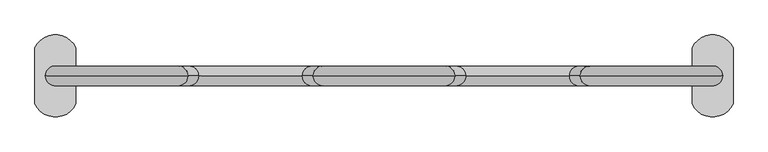
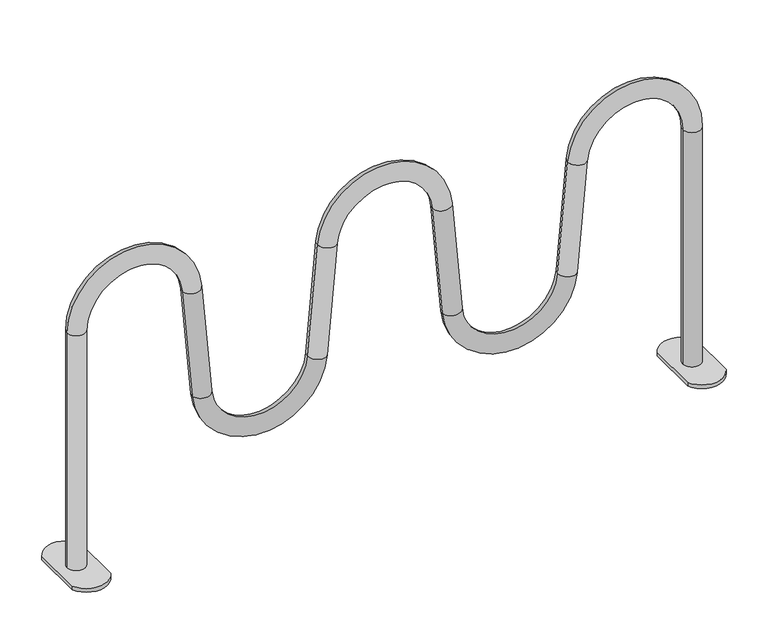
"""IFC4 building model written with IfcOpenShell, lengths in millimetres: furniture geometry."""

from ifc_helpers import new_model, si_unit, point, frame, frame_2d, origin, origin_with_axes, place, context, project, spatial, polyline, circle_curve, ellipse_curve, trimmed, segment, composite_curve, outline, extrude, source, transform, mapped, element, save
from ifc_brep_helpers import plane_surface, cylinder_surface, revolved_surface, advanced_brep


def furniture_2003bcf2(model_context):
    return source(origin(), model_context, "Body", "SolidModel", [
        extrude(outline(composite_curve([segment(trimmed(circle_curve(frame_2d((799.9973498, -44.9375383)), 55.0625), [point((849.9973498, -68.0000383))], [point((749.9973498, -68.0000383))], False, "CARTESIAN"), True, "CONTINUOUS"), segment(polyline([(749.9973498, -68.0000383), (749.9973498, 67.9999617)]), True, "CONTINUOUS"), segment(trimmed(circle_curve(frame_2d((799.9973498, 44.9374617)), 55.0625), [point((749.9973498, 67.9999617))], [point((849.9973498, 67.9999617))], False, "CARTESIAN"), True, "CONTINUOUS"), segment(polyline([(849.9973498, 67.9999617), (849.9973498, -68.0000383)]), True, "CONTINUOUS")], self_intersect=False)), origin_with_axes(), (0.0, 0.0, 1.0), 10.0),
        extrude(outline(composite_curve([segment(polyline([(-849.9973498, -68.0000383), (-849.9973498, 67.9999617)]), True, "CONTINUOUS"), segment(trimmed(circle_curve(frame_2d((-799.9973498, 44.9374617)), 55.0625), [point((-849.9973498, 67.9999617))], [point((-749.9973498, 67.9999617))], False, "CARTESIAN"), True, "CONTINUOUS"), segment(polyline([(-749.9973498, 67.9999617), (-749.9973498, -68.0000383)]), True, "CONTINUOUS"), segment(trimmed(circle_curve(frame_2d((-799.9973498, -44.9375383)), 55.0625), [point((-749.9973498, -68.0000383))], [point((-849.9973498, -68.0000383))], False, "CARTESIAN"), True, "CONTINUOUS")], self_intersect=False)), origin_with_axes(), (0.0, 0.0, 1.0), 10.0),
        advanced_brep(
        [(-824.3288789, 0.0, 10.0), (-776.3288789, 0.0, 10.0), (-824.3288789, 0.0, 655.5150113), (-776.3288789, 0.0, 655.5150113), (-524.7766149, 0.0, 666.4980203), (-476.9592694, 0.0, 670.681496), (-450.9462025, 0.0, 373.3507809), (-498.763548, 0.0, 369.1673052), (-151.5533739, 0.0, 369.1673052), (-199.3707194, 0.0, 373.3507809), (-173.3676201, 0.0, 670.5675661), (-125.5502746, 0.0, 666.3840905), (824.3288789, 0.0, 10.0), (776.3288789, 0.0, 10.0), (125.5502746, 0.0, 666.3840905), (173.3676201, 0.0, 670.5675661), (199.3707194, 0.0, 373.3507809), (151.5533739, 0.0, 369.1673052), (498.763548, 0.0, 369.1673052), (450.9462025, 0.0, 373.3507809), (476.9592694, 0.0, 670.681496), (524.7766149, 0.0, 666.4980203), (776.3288789, 0.0, 655.5150113), (824.3288789, 0.0, 655.5150113)],
        [
            (0, 1, circle_curve(frame((-800.3288789, 0.0, 10.0), z_axis=(0.0, 0.0, -1.0), x_axis=(1.0, 0.0, 0.0)), 24.0)),
            (1, 0, circle_curve(frame((-800.3288789, 0.0, 10.0), z_axis=(0.0, 0.0, -1.0), x_axis=(1.0, 0.0, 0.0)), 24.0)),
            (0, 2),
            (2, 3, circle_curve(frame((-800.3288789, 0.0, 655.5150113), z_axis=(0.0, 0.0, -1.0), x_axis=(1.0, 0.0, 0.0)), 24.0)),
            (3, 1),
            (3, 2, circle_curve(frame((-800.3288789, 0.0, 655.5150113), z_axis=(0.0, 0.0, -1.0), x_axis=(1.0, 0.0, 0.0)), 24.0)),
            (4, 3, circle_curve(frame((-650.3129826, 0.0, 655.5150113), z_axis=(0.0, -1.0, 0.0), x_axis=(-1.0, 0.0, 0.0)), 126.0158963)),
            (2, 5, circle_curve(frame((-650.3129826, 0.0, 655.5150113), z_axis=(0.0, 1.0, 0.0), x_axis=(-1.0, 0.0, 0.0)), 174.0158963)),
            (5, 4, circle_curve(frame((-500.8679421, 0.0, 668.5897581), z_axis=(-0.08715574274766275, 0.0, 0.9961946980917452), x_axis=(-0.9961946980917452, 0.0, -0.08715574274766275)), 24.0)),
            (4, 5, circle_curve(frame((-500.8679421, 0.0, 668.5897581), z_axis=(-0.08715574274766275, 0.0, 0.9961946980917452), x_axis=(-0.9961946980917452, 0.0, -0.08715574274766275)), 24.0)),
            (5, 6),
            (6, 7, circle_curve(frame((-474.8548753, 0.0, 371.2590431), z_axis=(-0.0871557427476564, 0.0, 0.9961946980917457), x_axis=(-0.9961946980917457, 0.0, -0.0871557427476564)), 24.0)),
            (7, 4),
            (7, 6, circle_curve(frame((-474.8548753, 0.0, 371.2590431), z_axis=(-0.0871557427476564, 0.0, 0.9961946980917457), x_axis=(-0.9961946980917457, 0.0, -0.0871557427476564)), 24.0)),
            (8, 7, circle_curve(frame((-325.1584609, 0.0, 384.3557823), z_axis=(0.0, 1.0, 0.0), x_axis=(-0.9961946980917463, 0.0, -0.0871557427476491)), 174.2682303)),
            (6, 9, circle_curve(frame((-325.1584609, 0.0, 384.3557823), z_axis=(0.0, -1.0, 0.0), x_axis=(-0.9961946980917463, 0.0, -0.0871557427476491)), 126.2682303)),
            (9, 8, circle_curve(frame((-175.4620466, 0.0, 371.2590431), z_axis=(-0.08715574274765349, 0.0, -0.996194698091746), x_axis=(0.996194698091746, 0.0, -0.08715574274765349)), 24.0)),
            (8, 9, circle_curve(frame((-175.4620466, 0.0, 371.2590431), z_axis=(-0.08715574274765661, 0.0, -0.9961946980917457), x_axis=(0.9961946980917457, 0.0, -0.08715574274765661)), 24.0)),
            (9, 10),
            (10, 11, circle_curve(frame((-149.4589473, 0.0, 668.4758283), z_axis=(-0.08715574274765646, 0.0, -0.9961946980917457), x_axis=(0.9961946980917457, 0.0, -0.08715574274765646)), 24.0)),
            (11, 8),
            (11, 10, circle_curve(frame((-149.4589473, 0.0, 668.4758283), z_axis=(-0.08715574274765646, 0.0, -0.9961946980917457), x_axis=(0.9961946980917457, 0.0, -0.08715574274765646)), 24.0)),
            (12, 13, circle_curve(frame((800.3288789, 0.0, 10.0), z_axis=(0.0, 0.0, -1.0), x_axis=(-1.0, 0.0, 0.0)), 24.0)),
            (13, 12, circle_curve(frame((800.3288789, 0.0, 10.0), z_axis=(0.0, 0.0, -1.0), x_axis=(-1.0, 0.0, 0.0)), 24.0)),
            (14, 11, circle_curve(frame((0.0, 0.0, 655.3998647), z_axis=(0.0, -1.0, 0.0), x_axis=(-0.9961946980917462, 0.0, 0.08715574274764999)), 126.0298562)),
            (10, 15, circle_curve(frame((0.0, 0.0, 655.3998647), z_axis=(0.0, 1.0, 0.0), x_axis=(-0.9961946980917462, 0.0, 0.08715574274764999)), 174.0298562)),
            (15, 14, circle_curve(frame((149.4589473, 0.0, 668.4758283), z_axis=(-0.08715574274766313, 0.0, 0.996194698091745), x_axis=(-0.996194698091745, 0.0, -0.08715574274766313)), 24.0)),
            (14, 15, circle_curve(frame((149.4589473, 0.0, 668.4758283), z_axis=(-0.0871557427476627, 0.0, 0.9961946980917451), x_axis=(-0.9961946980917451, 0.0, -0.0871557427476627)), 24.0)),
            (15, 16),
            (16, 17, circle_curve(frame((175.4620466, 0.0, 371.2590431), z_axis=(-0.08715574274765636, 0.0, 0.9961946980917458), x_axis=(-0.9961946980917458, 0.0, -0.08715574274765636)), 24.0)),
            (17, 14),
            (17, 16, circle_curve(frame((175.4620466, 0.0, 371.2590431), z_axis=(-0.08715574274765636, 0.0, 0.9961946980917458), x_axis=(-0.9961946980917458, 0.0, -0.08715574274765636)), 24.0)),
            (18, 17, circle_curve(frame((325.1584609, 0.0, 384.3557823), z_axis=(0.0, 1.0, 0.0), x_axis=(-0.9961946980917458, 0.0, -0.0871557427476561)), 174.2682303)),
            (16, 19, circle_curve(frame((325.1584609, 0.0, 384.3557823), z_axis=(0.0, -1.0, 0.0), x_axis=(-0.9961946980917458, 0.0, -0.0871557427476561)), 126.2682303)),
            (19, 18, circle_curve(frame((474.8548753, 0.0, 371.2590431), z_axis=(-0.08715574274765714, 0.0, -0.9961946980917457), x_axis=(0.9961946980917457, 0.0, -0.08715574274765714)), 24.0)),
            (18, 19, circle_curve(frame((474.8548753, 0.0, 371.2590431), z_axis=(-0.08715574274765672, 0.0, -0.9961946980917458), x_axis=(0.9961946980917458, 0.0, -0.08715574274765672)), 24.0)),
            (19, 20),
            (20, 21, circle_curve(frame((500.8679421, 0.0, 668.5897581), z_axis=(-0.0871557427476565, 0.0, -0.9961946980917458), x_axis=(0.9961946980917458, 0.0, -0.0871557427476565)), 24.0)),
            (21, 18),
            (21, 20, circle_curve(frame((500.8679421, 0.0, 668.5897581), z_axis=(-0.0871557427476565, 0.0, -0.9961946980917458), x_axis=(0.9961946980917458, 0.0, -0.0871557427476565)), 24.0)),
            (22, 21, circle_curve(frame((650.3129826, 0.0, 655.5150113), z_axis=(0.0, -1.0, 0.0), x_axis=(-0.9961946980917458, 0.0, 0.08715574274765542)), 126.0158963)),
            (20, 23, circle_curve(frame((650.3129826, 0.0, 655.5150113), z_axis=(0.0, 1.0, 0.0), x_axis=(-0.9961946980917458, 0.0, 0.08715574274765542)), 174.0158963)),
            (23, 22, circle_curve(frame((800.3288789, 0.0, 655.5150113), z_axis=(0.0, 0.0, 1.0), x_axis=(-1.0, 0.0, 0.0)), 24.0)),
            (22, 23, circle_curve(frame((800.3288789, 0.0, 655.5150113), z_axis=(0.0, 0.0, 1.0), x_axis=(-1.0, 0.0, 0.0)), 24.0)),
            (23, 12),
            (13, 22),
        ],
        [
            plane_surface(frame((-776.3288789, 0.0, 10.0), z_axis=(0.0, 0.0, -1.0), x_axis=(0.0, -1.0, 0.0))),
            cylinder_surface(frame((-800.3288789, 0.0, 10.0), z_axis=(0.0, 0.0, -1.0), x_axis=(1.0, 0.0, 0.0)), 24.0),
            revolved_surface(trimmed(ellipse_curve(frame((-800.3288789, 0.0, 655.5150113), z_axis=(0.0, 0.0, -1.0), x_axis=(1.0, 0.0, 0.0)), 24.0, 24.0), [point((-824.3288789, 0.0, 655.5150113))], [point((-776.3288789, 0.0, 655.5150113))], True, "CARTESIAN"), (-650.3129826, 0.0, 655.5150113), (0.0, 1.0, 0.0)),
            revolved_surface(trimmed(ellipse_curve(frame((-800.3288789, 0.0, 655.5150113), z_axis=(0.0, 0.0, -1.0), x_axis=(1.0, 0.0, 0.0)), 24.0, 24.0), [point((-776.3288789, 0.0, 655.5150113))], [point((-824.3288789, 0.0, 655.5150113))], True, "CARTESIAN"), (-650.3129826, 0.0, 655.5150113), (0.0, 1.0, 0.0)),
            cylinder_surface(frame((-500.8679421, 0.0, 668.5897581), z_axis=(-0.0871557427476564, 0.0, 0.9961946980917457), x_axis=(-0.9961946980917457, 0.0, -0.0871557427476564)), 24.0),
            revolved_surface(trimmed(ellipse_curve(frame((-474.8548753, 0.0, 371.2590431), z_axis=(-0.08715574274764905, 0.0, 0.9961946980917463), x_axis=(-0.9961946980917463, 0.0, -0.08715574274764905)), 24.0, 24.0), [point((-450.9462025, 0.0, 373.3507809))], [point((-498.763548, 0.0, 369.1673052))], True, "CARTESIAN"), (-325.1584609, 0.0, 384.3557823), (0.0, -1.0, 0.0)),
            revolved_surface(trimmed(ellipse_curve(frame((-474.8548753, 0.0, 371.2590431), z_axis=(-0.08715574274764905, 0.0, 0.9961946980917463), x_axis=(-0.9961946980917463, 0.0, -0.08715574274764905)), 24.0, 24.0), [point((-498.763548, 0.0, 369.1673052))], [point((-450.9462025, 0.0, 373.3507809))], True, "CARTESIAN"), (-325.1584609, 0.0, 384.3557823), (0.0, -1.0, 0.0)),
            cylinder_surface(frame((-175.4620466, 0.0, 371.2590431), z_axis=(-0.08715574274765646, 0.0, -0.9961946980917457), x_axis=(0.9961946980917457, 0.0, -0.08715574274765646)), 24.0),
            plane_surface(frame((776.3288789, 0.0, 10.0), z_axis=(0.0, 0.0, -1.0), x_axis=(0.0, -1.0, 0.0))),
            revolved_surface(trimmed(ellipse_curve(frame((-149.4589473, 0.0, 668.4758283), z_axis=(-0.08715574274765002, 0.0, -0.9961946980917462), x_axis=(0.9961946980917462, 0.0, -0.08715574274765002)), 24.0, 24.0), [point((-173.3676201, 0.0, 670.5675661))], [point((-125.5502746, 0.0, 666.3840905))], True, "CARTESIAN"), (0.0, 0.0, 655.3998647), (0.0, 1.0, 0.0)),
            revolved_surface(trimmed(ellipse_curve(frame((-149.4589473, 0.0, 668.4758283), z_axis=(-0.08715574274765002, 0.0, -0.9961946980917462), x_axis=(0.9961946980917462, 0.0, -0.08715574274765002)), 24.0, 24.0), [point((-125.5502746, 0.0, 666.3840905))], [point((-173.3676201, 0.0, 670.5675661))], True, "CARTESIAN"), (0.0, 0.0, 655.3998647), (0.0, 1.0, 0.0)),
            cylinder_surface(frame((149.4589473, 0.0, 668.4758283), z_axis=(-0.08715574274765636, 0.0, 0.9961946980917458), x_axis=(-0.9961946980917458, 0.0, -0.08715574274765636)), 24.0),
            revolved_surface(trimmed(ellipse_curve(frame((175.4620466, 0.0, 371.2590431), z_axis=(-0.08715574274765601, 0.0, 0.9961946980917458), x_axis=(-0.9961946980917458, 0.0, -0.08715574274765601)), 24.0, 24.0), [point((199.3707194, 0.0, 373.3507809))], [point((151.5533739, 0.0, 369.1673052))], True, "CARTESIAN"), (325.1584609, 0.0, 384.3557823), (0.0, -1.0, 0.0)),
            revolved_surface(trimmed(ellipse_curve(frame((175.4620466, 0.0, 371.2590431), z_axis=(-0.08715574274765601, 0.0, 0.9961946980917458), x_axis=(-0.9961946980917458, 0.0, -0.08715574274765601)), 24.0, 24.0), [point((151.5533739, 0.0, 369.1673052))], [point((199.3707194, 0.0, 373.3507809))], True, "CARTESIAN"), (325.1584609, 0.0, 384.3557823), (0.0, -1.0, 0.0)),
            cylinder_surface(frame((474.8548753, 0.0, 371.2590431), z_axis=(-0.0871557427476565, 0.0, -0.9961946980917458), x_axis=(0.9961946980917458, 0.0, -0.0871557427476565)), 24.0),
            revolved_surface(trimmed(ellipse_curve(frame((500.8679421, 0.0, 668.5897581), z_axis=(-0.08715574274765545, 0.0, -0.9961946980917458), x_axis=(0.9961946980917458, 0.0, -0.08715574274765545)), 24.0, 24.0), [point((476.9592694, 0.0, 670.681496))], [point((524.7766149, 0.0, 666.4980203))], True, "CARTESIAN"), (650.3129826, 0.0, 655.5150113), (0.0, 1.0, 0.0)),
            revolved_surface(trimmed(ellipse_curve(frame((500.8679421, 0.0, 668.5897581), z_axis=(-0.08715574274765545, 0.0, -0.9961946980917458), x_axis=(0.9961946980917458, 0.0, -0.08715574274765545)), 24.0, 24.0), [point((524.7766149, 0.0, 666.4980203))], [point((476.9592694, 0.0, 670.681496))], True, "CARTESIAN"), (650.3129826, 0.0, 655.5150113), (0.0, 1.0, 0.0)),
            cylinder_surface(frame((800.3288789, 0.0, 655.5150113), z_axis=(0.0, 0.0, 1.0), x_axis=(-1.0, 0.0, 0.0)), 24.0),
        ],
        [
            (0, [[1, 2]]),
            (1, [[-1, 3, 4, 5]]),
            (1, [[-2, -5, 6, -3]]),
            (2, [[7, -4, 8, 9]]),
            (3, [[-8, -6, -7, 10]]),
            (4, [[-9, 11, 12, 13]]),
            (4, [[-10, -13, 14, -11]]),
            (5, [[15, -12, 16, 17]]),
            (6, [[-16, -14, -15, 18]]),
            (7, [[-17, 19, 20, 21]]),
            (7, [[-18, -21, 22, -19]]),
            (8, [[23, 24]]),
            (9, [[25, -20, 26, 27]]),
            (10, [[-26, -22, -25, 28]]),
            (11, [[-27, 29, 30, 31]]),
            (11, [[-28, -31, 32, -29]]),
            (12, [[33, -30, 34, 35]]),
            (13, [[-34, -32, -33, 36]]),
            (14, [[-35, 37, 38, 39]]),
            (14, [[-36, -39, 40, -37]]),
            (15, [[41, -38, 42, 43]]),
            (16, [[-42, -40, -41, 44]]),
            (17, [[-43, 45, -24, 46]]),
            (17, [[-44, -46, -23, -45]]),
        ],
    ),
    ])


if __name__ == "__main__":
    model = new_model("IFC4")
    model_context = context("Model", 3, world=origin())
    ifc_project = project(units=[si_unit("LENGTHUNIT", "METRE", prefix="MILLI")], contexts=[model_context])
    site = spatial("IfcSite", under=ifc_project)
    building = spatial("IfcBuilding", under=site)
    placement = place(None, origin())
    furniture_shape = furniture_2003bcf2(model_context)
    element("IfcFurniture", 1, at=placement, inside=building, context=model_context, shape_type="MappedRepresentation", body=[
        mapped(furniture_shape, transform((0.0, 0.0, 0.0), x_axis=(1.0, 0.0, 0.0), y_axis=(0.0, 1.0, 0.0), z_axis=(0.0, 0.0, 1.0))),
    ])
    save(model, "model.ifc")
